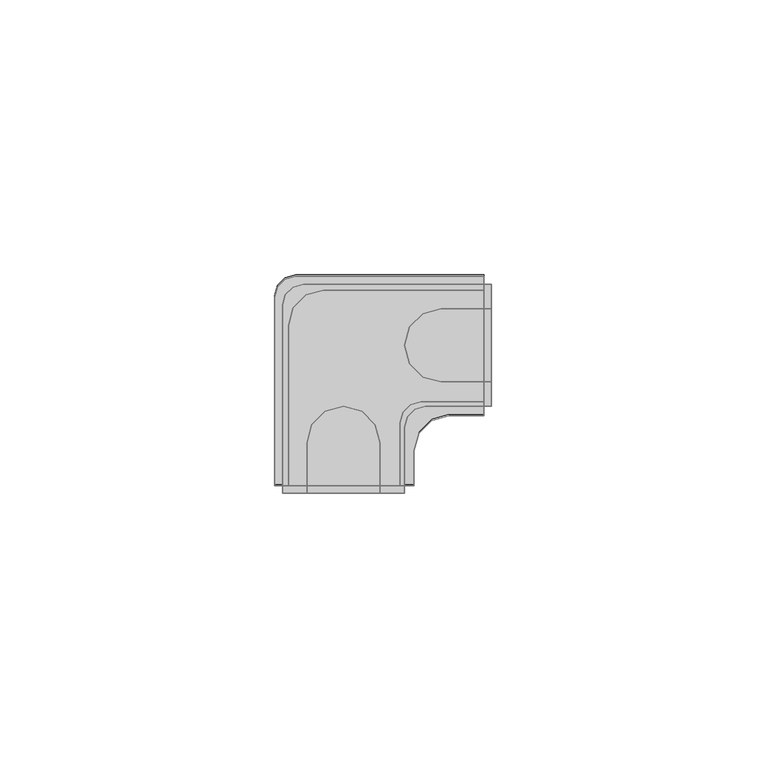
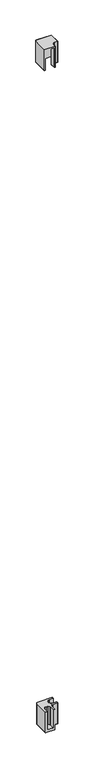
"""IFC4 building model written with IfcOpenShell, lengths in millimetres: furniture geometry."""

from ifc_helpers import new_model, si_unit, origin, place, context, project, spatial, triangles, source, transform, mapped, element, save


def furniture_f35f287b(model_context):
    return source(origin(), model_context, "Body", "Tessellation", [
        triangles([(-14.0749289, -50.9575955, 2743.1997093), (-14.0749289, -44.6075924, 2743.1997093), (-14.0749289, -44.6075924, 2692.3999031), (-14.0749289, -50.9575955, 2692.3999031), (-16.6149288, -50.9575955, 2740.6597481), (-16.6149288, -50.9575955, 2692.3999031), (-36.9349276, -50.9575955, 2740.6597481), (-39.4749297, -50.9575955, 2743.1997093), (-39.4749297, -50.9575955, 2692.3999031), (-36.9349276, -50.9575955, 2692.3999031), (-36.9349276, -21.7475938, 2740.6597481), (-36.9349276, -21.7475938, 2692.3999031), (-1.3749284, -15.3975942, 2740.6597481), (-30.5849291, -15.3975942, 2740.6597481), (-30.5849291, -15.3975942, 2692.3999031), (-1.3749284, -15.3975942, 2692.3999031), (-1.3749284, -12.8575943, 2743.1997093), (-1.3749284, -12.8575943, 2692.3999031), (-1.3749284, -35.7175941, 2740.6597481), (-1.3749284, -38.2575939, 2743.1997093), (-1.3749284, -38.2575939, 2692.3999031), (-1.3749284, -35.7175941, 2692.3999031), (-7.7249282, -38.2575939, 2692.3999031), (-7.7249282, -38.2575939, 2743.1997093), (-12.8049279, -35.7175941, 2740.6597481), (-12.8049279, -35.7175941, 2692.3999031), (-35.6649288, -12.8575943, 2743.1997093), (-35.6649288, -12.8575943, 2692.3999031), (-36.0841892, -18.5725945, 2692.3999031), (-36.0841892, -18.5725945, 2740.6597481), (-33.7599283, -16.2483326, 2692.3999031), (-33.7599283, -16.2483326, 2740.6597481), (-38.9644867, -14.7625936, 2743.1997093), (-38.9644867, -14.7625936, 2692.3999031), (-39.4749297, -16.6675941, 2743.1997093), (-39.4749297, -16.6675941, 2692.3999031), (-37.5699292, -13.3680374, 2743.1997093), (-37.5699292, -13.3680374, 2692.3999031), (-16.1044858, -37.6225945, 2692.3999031), (-16.1044858, -37.6225945, 2740.6597481), (-16.6149288, -39.5275927, 2740.6597481), (-16.6149288, -39.5275927, 2692.3999031), (-14.7099283, -36.2280371, 2692.3999031), (-14.7099283, -36.2280371, 2740.6597481), (-13.2241894, -41.4325955, 2743.1997093), (-13.2241894, -41.4325955, 2692.3999031), (-10.8999286, -39.1083323, 2743.1997093), (-10.8999286, -39.1083323, 2692.3999031), (-38.0365001, -52.3240001, 1068.400193), (-15.8114997, -52.3240001, 1068.400193), (-20.2565011, -52.3240001, 1074.7501688), (-33.5914998, -52.3240001, 1074.7501688), (-33.5914998, -52.3240001, 1119.2002172), (-38.0365001, -52.3240001, 1119.2002172), (-20.2565011, -52.3240001, 1119.2002172), (-15.8114997, -52.3240001, 1119.2002172), (-20.2565011, -43.1799997, 1119.2002172), (-20.2565011, -43.1799997, 1074.7501688), (-22.478999, -52.3240001, 1074.7501688), (-21.1497764, -39.8462506, 1074.7501688), (-24.7014992, -52.3240001, 1074.7501688), (-23.5902502, -37.4057746, 1074.7501688), (-26.9239993, -52.3240001, 1074.7501688), (-26.9239993, -36.5124992, 1074.7501688), (-29.1464995, -52.3240001, 1074.7501688), (-30.2577507, -37.4057746, 1074.7501688), (-31.3689996, -52.3240001, 1074.7501688), (-32.6982244, -39.8462506, 1074.7501688), (-33.5914998, -43.1799997, 1074.7501688), (-33.5914998, -43.1799997, 1119.2002172), (-32.6982244, -39.8462506, 1119.2002172), (-30.2577507, -37.4057746, 1119.2002172), (-26.9239993, -36.5124992, 1119.2002172), (-23.5902502, -37.4057746, 1119.2002172), (-21.1497764, -39.8462506, 1119.2002172), (0.0, -32.0674989, 1074.7501688), (-9.1439998, -32.0674989, 1074.7501688), (0.0, -29.8450011, 1074.7501688), (-12.4777495, -31.1742236, 1074.7501688), (0.0, -27.6225009, 1074.7501688), (-14.9182244, -28.7337498, 1074.7501688), (-15.8114997, -25.4000008, 1074.7501688), (0.0, -25.4000008, 1074.7501688), (-14.9182244, -22.0662494, 1074.7501688), (0.0, -23.1775006, 1074.7501688), (-12.4777495, -19.6257756, 1074.7501688), (0.0, -20.9550005, 1074.7501688), (-9.1439998, -18.7325003, 1074.7501688), (0.0, -18.7325003, 1074.7501688), (-9.1439998, -32.0674989, 1119.2002172), (-12.4777495, -31.1742236, 1119.2002172), (-14.9182244, -28.7337498, 1119.2002172), (-15.8114997, -25.4000008, 1119.2002172), (-14.9182244, -22.0662494, 1119.2002172), (-12.4777495, -19.6257756, 1119.2002172), (-9.1439998, -18.7325003, 1119.2002172), (-15.8114997, -40.3224979, 1068.400193), (-15.8114997, -40.3224979, 1119.2002172), (-15.3010566, -38.4174997, 1068.400193), (-15.3010566, -38.4174997, 1119.2002172), (-13.9065004, -37.0229423, 1119.2002172), (-13.9065004, -37.0229423, 1068.400193), (-12.0014999, -36.5124992, 1119.2002172), (-12.0014999, -36.5124992, 1068.400193), (-38.0365001, -18.0974998, 1119.2002172), (-38.0365001, -18.0974998, 1068.400193), (-37.526057, -16.1925005, 1068.400193), (-37.526057, -16.1925005, 1119.2002172), (-36.1314996, -14.797943, 1068.400193), (-36.1314996, -14.797943, 1119.2002172), (-34.2264992, -14.2875, 1068.400193), (-34.2264992, -14.2875, 1119.2002172), (0.0, -36.5124992, 1068.400193), (0.0, -14.2875, 1068.400193), (0.0, -36.5124992, 1119.2002172), (0.0, -32.0674989, 1119.2002172), (0.0, -14.2875, 1119.2002172), (0.0, -18.7325003, 1119.2002172)], [[1, 2, 3], [1, 3, 4], [5, 1, 4], [5, 4, 6], [7, 8, 1], [7, 1, 5], [8, 9, 10], [8, 10, 7], [7, 11, 12], [7, 12, 10], [13, 14, 15], [13, 15, 16], [13, 17, 18], [13, 18, 16], [19, 20, 17], [19, 17, 13], [20, 21, 22], [20, 22, 19], [21, 23, 24], [21, 24, 20], [19, 25, 26], [19, 26, 22], [17, 27, 28], [17, 28, 18], [29, 30, 11], [29, 11, 12], [31, 32, 30], [31, 30, 29], [15, 14, 32], [15, 32, 31], [33, 34, 35], [34, 36, 35], [37, 38, 33], [38, 34, 33], [27, 28, 37], [28, 38, 37], [39, 40, 41], [39, 41, 42], [43, 44, 40], [43, 40, 39], [26, 25, 44], [26, 44, 43], [45, 46, 2], [46, 3, 2], [47, 48, 45], [48, 46, 45], [24, 23, 47], [23, 48, 47], [23, 21, 22], [23, 22, 26], [43, 48, 26], [48, 23, 26], [46, 39, 43], [46, 43, 48], [42, 3, 46], [42, 46, 39], [4, 6, 3], [6, 42, 3], [15, 28, 18], [15, 18, 16], [38, 31, 15], [38, 15, 28], [29, 34, 31], [34, 38, 31], [36, 12, 29], [36, 29, 34], [10, 9, 36], [10, 36, 12], [47, 37, 27], [47, 27, 24], [45, 33, 37], [45, 37, 47], [2, 35, 33], [2, 33, 45], [27, 24, 20], [27, 20, 17], [8, 1, 2], [8, 2, 35], [40, 30, 11], [40, 11, 41], [44, 32, 30], [44, 30, 40], [25, 14, 32], [25, 32, 44], [25, 19, 13], [25, 13, 14], [41, 5, 7], [41, 7, 11], [8, 9, 36], [8, 36, 35], [6, 5, 41], [6, 41, 42], [49, 50, 51], [49, 51, 52], [49, 52, 53], [49, 53, 54], [55, 56, 50], [55, 50, 51], [55, 57, 58], [55, 58, 51], [58, 51, 59], [58, 59, 60], [60, 59, 61], [60, 61, 62], [62, 61, 63], [62, 63, 64], [64, 63, 65], [64, 65, 66], [66, 65, 67], [66, 67, 68], [68, 67, 52], [68, 52, 69], [69, 70, 71], [69, 71, 68], [68, 71, 72], [68, 72, 66], [66, 72, 73], [66, 73, 64], [64, 73, 74], [64, 74, 62], [62, 74, 75], [62, 75, 60], [60, 75, 57], [60, 57, 58], [52, 69, 70], [52, 70, 53], [76, 77, 78], [77, 79, 78], [78, 79, 80], [79, 81, 80], [80, 81, 82], [80, 82, 83], [83, 82, 84], [83, 84, 85], [85, 84, 86], [85, 86, 87], [87, 86, 88], [87, 88, 89], [77, 90, 91], [77, 91, 79], [79, 91, 92], [79, 92, 81], [81, 92, 93], [81, 93, 82], [82, 93, 94], [82, 94, 84], [84, 94, 95], [84, 95, 86], [86, 95, 96], [86, 96, 88], [97, 98, 99], [98, 100, 99], [99, 100, 101], [99, 101, 102], [102, 101, 103], [102, 103, 104], [105, 106, 107], [105, 107, 108], [108, 107, 109], [108, 109, 110], [110, 109, 111], [110, 111, 112], [98, 105, 108], [98, 108, 100], [100, 108, 110], [100, 110, 101], [101, 110, 112], [101, 112, 103], [106, 97, 99], [106, 99, 107], [107, 99, 102], [107, 102, 109], [109, 102, 104], [109, 104, 111], [49, 106, 97], [49, 97, 50], [113, 104, 114], [104, 111, 114], [115, 113, 76], [115, 76, 116], [76, 113, 89], [113, 114, 89], [114, 117, 118], [114, 118, 89], [113, 104, 103], [113, 103, 115], [50, 97, 98], [50, 98, 56], [89, 118, 96], [89, 96, 88], [116, 76, 77], [116, 77, 90], [56, 55, 98], [55, 57, 98], [57, 98, 75], [75, 98, 74], [98, 105, 73], [98, 73, 74], [73, 105, 72], [72, 105, 71], [71, 105, 70], [70, 105, 54], [70, 54, 53], [115, 116, 90], [115, 90, 103], [103, 90, 91], [103, 91, 92], [103, 112, 93], [103, 93, 92], [118, 117, 112], [118, 112, 96], [95, 96, 112], [94, 95, 112], [94, 112, 93], [54, 105, 106], [54, 106, 49], [117, 114, 111], [117, 111, 112]], closed=False),
    ])


if __name__ == "__main__":
    model = new_model("IFC4")
    model_context = context("Model", 3, world=origin())
    ifc_project = project(units=[si_unit("LENGTHUNIT", "METRE", prefix="MILLI")], contexts=[model_context])
    site = spatial("IfcSite", under=ifc_project)
    building = spatial("IfcBuilding", under=site)
    placement = place(None, origin())
    furniture_shape = furniture_f35f287b(model_context)
    element("IfcFurniture", 1, at=placement, inside=building, context=model_context, shape_type="MappedRepresentation", body=[
        mapped(furniture_shape, transform((0.0, 0.0, 0.0), x_axis=(1.0, 0.0, 0.0), y_axis=(0.0, 1.0, 0.0), z_axis=(0.0, 0.0, 1.0))),
    ])
    save(model, "model.ifc")
